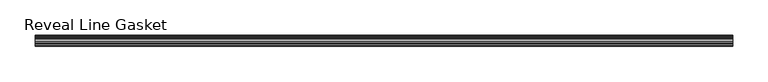
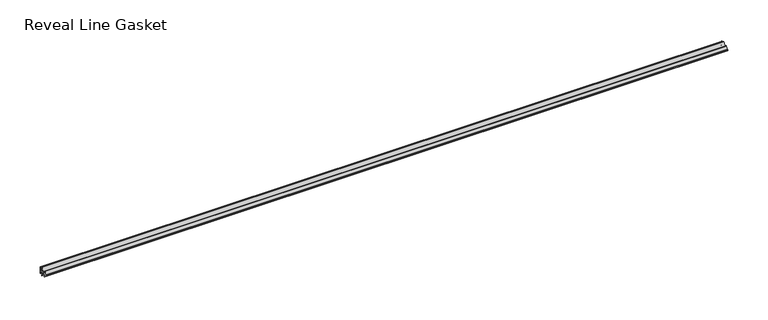
"""IFC4 building model written with IfcOpenShell, lengths in millimetres: furniture geometry, Reveal Line Gasket."""

from ifc_helpers import new_model, si_unit, point, frame, frame_2d, origin, place, context, project, spatial, polyline, circle_curve, trimmed, segment, composite_curve, outline, extrude, source, transform, mapped, element, save


def reveal_line_gasket_db49fd7f(model_context):
    return source(origin(), model_context, "Body", "SweptSolid", [
        extrude(outline(composite_curve([segment(polyline([(7.6326998, 1603.2), (7.6326998, 1597.2), (7.4091917, 1596.2445073), (6.8813059, 1595.3115316)]), True, "CONTINUOUS"), segment(trimmed(circle_curve(frame_2d((6.5243141, 1595.5135207)), 0.4101739), [point((6.8813059, 1595.3115316))], [point((6.1246704, 1595.6058653))], False, "CARTESIAN"), True, "CONTINUOUS"), segment(polyline([(6.1246704, 1595.6058653), (6.3626997, 1597.3020914), (6.3626997, 1599.3345473)]), True, "CONTINUOUS"), segment(trimmed(circle_curve(frame_2d((5.6959605, 1598.9180742)), 0.786124), [point((6.3626997, 1599.3345473))], [point((5.0926996, 1599.422125))], True, "CARTESIAN"), True, "CONTINUOUS"), segment(polyline([(5.0926996, 1599.422125), (0.7492996, 1599.422125), (3.7293824, 1594.2604705)]), True, "CONTINUOUS"), segment(trimmed(circle_curve(frame_2d((3.3132479, 1594.1950239)), 0.4212495), [point((3.7293824, 1594.2604705))], [point((3.0485022, 1593.8673642))], False, "CARTESIAN"), True, "CONTINUOUS"), segment(polyline([(3.0485022, 1593.8673642), (-0.5742594, 1599.422125), (-4.8262978, 1599.422125), (-3.1660374, 1596.5464703)]), True, "CONTINUOUS"), segment(trimmed(circle_curve(frame_2d((-3.5978728, 1596.4881145)), 0.4357605), [point((-3.1660374, 1596.5464703))], [point((-3.864328, 1596.1433119))], False, "CARTESIAN"), True, "CONTINUOUS"), segment(polyline([(-3.864328, 1596.1433119), (-6.1944059, 1599.422125), (-7.6326998, 1599.422125), (-7.6326998, 1600.977875), (-6.1944059, 1600.977875), (-3.864328, 1604.2566881)]), True, "CONTINUOUS"), segment(trimmed(circle_curve(frame_2d((-3.5978728, 1603.9118855)), 0.4357605), [point((-3.864328, 1604.2566881))], [point((-3.1660374, 1603.8535297))], False, "CARTESIAN"), True, "CONTINUOUS"), segment(polyline([(-3.1660374, 1603.8535297), (-4.8262978, 1600.977875), (-0.5742594, 1600.977875), (3.0485022, 1606.5326358)]), True, "CONTINUOUS"), segment(trimmed(circle_curve(frame_2d((3.3132479, 1606.2049761)), 0.4212495), [point((3.0485022, 1606.5326358))], [point((3.7293824, 1606.1395295))], False, "CARTESIAN"), True, "CONTINUOUS"), segment(polyline([(3.7293824, 1606.1395295), (0.7492996, 1600.977875), (5.0926996, 1600.977875)]), True, "CONTINUOUS"), segment(trimmed(circle_curve(frame_2d((5.6959605, 1601.4819258)), 0.786124), [point((5.0926996, 1600.977875))], [point((6.3626997, 1601.0654527))], True, "CARTESIAN"), True, "CONTINUOUS"), segment(polyline([(6.3626997, 1601.0654527), (6.3626997, 1603.0979086), (6.1246704, 1604.7941347)]), True, "CONTINUOUS"), segment(trimmed(circle_curve(frame_2d((6.5243141, 1604.8864793)), 0.4101739), [point((6.1246704, 1604.7941347))], [point((6.8813059, 1605.0884684))], False, "CARTESIAN"), True, "CONTINUOUS"), segment(polyline([(6.8813059, 1605.0884684), (7.4091917, 1604.1554927), (7.6326998, 1603.2)]), True, "CONTINUOUS")], self_intersect=False)), frame((-491.5173792, 0.0, 0.0), z_axis=(1.0, 0.0, 0.0), x_axis=(0.0, 1.0, 0.0)), (0.0, 0.0, 1.0), 983.0347583),
    ])


if __name__ == "__main__":
    model = new_model("IFC4")
    model_context = context("Model", 3, world=origin())
    ifc_project = project(units=[si_unit("LENGTHUNIT", "METRE", prefix="MILLI")], contexts=[model_context])
    site = spatial("IfcSite", under=ifc_project)
    building = spatial("IfcBuilding", under=site)
    placement = place(None, origin())
    reveal_line_gasket_shape = reveal_line_gasket_db49fd7f(model_context)
    element("IfcFurniture", 1, ObjectType="Reveal Line Gasket", at=placement, inside=building, context=model_context, shape_type="MappedRepresentation", body=[
        mapped(reveal_line_gasket_shape, transform((0.0, 0.0, 0.0), x_axis=(1.0, 0.0, 0.0), y_axis=(0.0, 1.0, 0.0), z_axis=(0.0, 0.0, 1.0))),
    ])
    save(model, "model.ifc")
